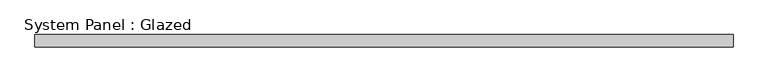
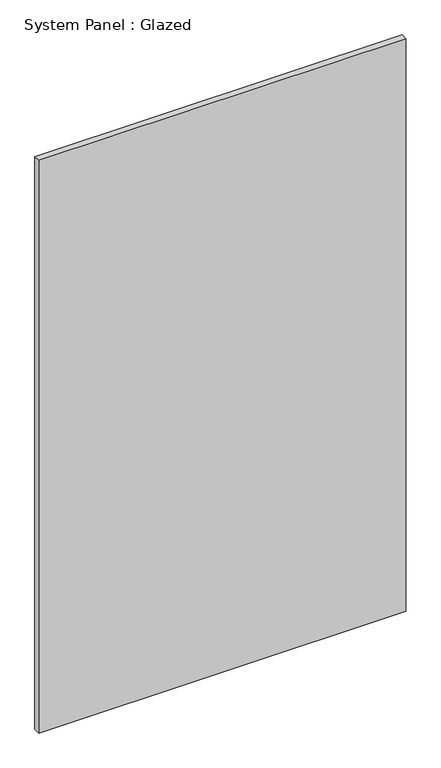
"""IFC4 building model written with IfcOpenShell, lengths in millimetres: plate geometry, System Panel : Glazed."""

from ifc_helpers import new_model, si_unit, origin, origin_with_axes, place, context, project, spatial, polyline, outline, extrude, source, transform, mapped, element, save


def system_panel_glazed_129cb0d4(model_context):
    return source(origin(), model_context, "Body", "SweptSolid", [
        extrude(outline(polyline([(712.5, 24.5), (-712.5, 24.5), (-712.5, 49.5), (712.5, 49.5), (712.5, 24.5)])), origin_with_axes(), (0.0, 0.0, 1.0), 2350.0),
    ])


if __name__ == "__main__":
    model = new_model("IFC4")
    model_context = context("Model", 3, world=origin())
    ifc_project = project(units=[si_unit("LENGTHUNIT", "METRE", prefix="MILLI")], contexts=[model_context])
    site = spatial("IfcSite", under=ifc_project)
    building = spatial("IfcBuilding", under=site)
    placement = place(None, origin())
    system_panel_glazed_shape = system_panel_glazed_129cb0d4(model_context)
    element("IfcPlate", 1, ObjectType="System Panel : Glazed", at=placement, inside=building, context=model_context, shape_type="MappedRepresentation", body=[
        mapped(system_panel_glazed_shape, transform((0.0, 0.0, 0.0), x_axis=(1.0, 0.0, 0.0), y_axis=(0.0, 1.0, 0.0), z_axis=(0.0, 0.0, 1.0))),
    ])
    save(model, "model.ifc")
